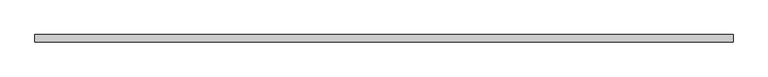
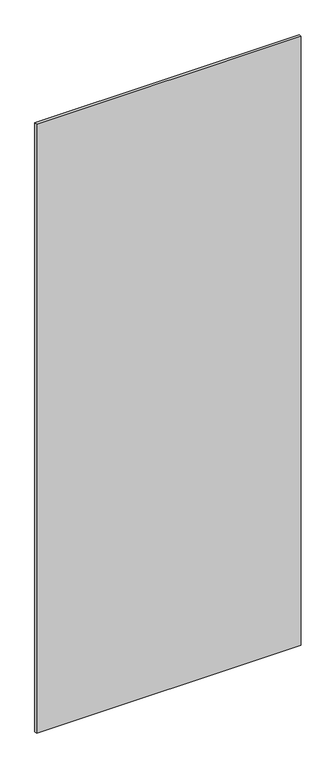
"""IFC4 building model written with IfcOpenShell, lengths in millimetres: plate geometry."""

from ifc_helpers import new_model, si_unit, origin, origin_with_axes, place, context, project, spatial, polyline, outline, extrude, source, transform, mapped, element, save


def plate_3c481cfa(model_context):
    return source(origin(), model_context, "Body", "SweptSolid", [
        extrude(outline(polyline([(609.6, -26.9875), (-609.6, -26.9875), (-609.6, -14.2875), (609.6, -14.2875), (609.6, -26.9875)])), origin_with_axes(), (0.0, 0.0, 1.0), 2965.45),
    ])


if __name__ == "__main__":
    model = new_model("IFC4")
    model_context = context("Model", 3, world=origin())
    ifc_project = project(units=[si_unit("LENGTHUNIT", "METRE", prefix="MILLI")], contexts=[model_context])
    site = spatial("IfcSite", under=ifc_project)
    building = spatial("IfcBuilding", under=site)
    placement = place(None, origin())
    plate_shape = plate_3c481cfa(model_context)
    element("IfcPlate", 1, at=placement, inside=building, context=model_context, shape_type="MappedRepresentation", body=[
        mapped(plate_shape, transform((0.0, 0.0, 0.0), x_axis=(1.0, 0.0, 0.0), y_axis=(0.0, 1.0, 0.0), z_axis=(0.0, 0.0, 1.0))),
    ])
    save(model, "model.ifc")
